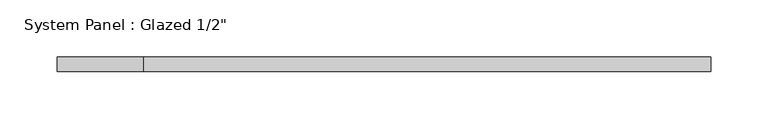
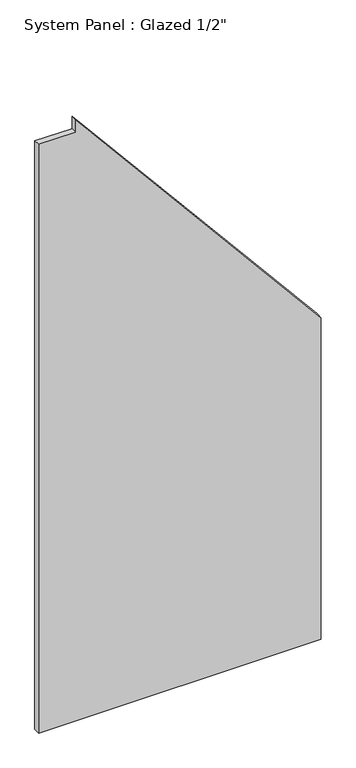
"""IFC4 building model written with IfcOpenShell, lengths in millimetres: plate geometry."""

from ifc_helpers import new_model, si_unit, frame, origin, place, context, project, spatial, polyline, outline, extrude, source, transform, mapped, element, save


def plate_b88d5eda(model_context):
    return source(origin(), model_context, "Body", "SweptSolid", [
        extrude(outline(polyline([(0.0, -285.56239), (0.0, 285.56239), (687.4753752, 285.56239), (1283.2028492, -210.1128301), (1256.8515356, -210.1128301), (1256.8515356, -285.56239), (0.0, -285.56239)])), frame((0.0, -6.35, 0.0), z_axis=(0.0, 1.0, 0.0), x_axis=(0.0, 0.0, 1.0)), (0.0, 0.0, 1.0), 12.7),
    ])


if __name__ == "__main__":
    model = new_model("IFC4")
    model_context = context("Model", 3, world=origin())
    ifc_project = project(units=[si_unit("LENGTHUNIT", "METRE", prefix="MILLI")], contexts=[model_context])
    site = spatial("IfcSite", under=ifc_project)
    building = spatial("IfcBuilding", under=site)
    placement = place(None, origin())
    plate_shape = plate_b88d5eda(model_context)
    element("IfcPlate", 1, ObjectType="System Panel : Glazed 1/2\"", at=placement, inside=building, context=model_context, shape_type="MappedRepresentation", body=[
        mapped(plate_shape, transform((0.0, 0.0, 0.0), x_axis=(1.0, 0.0, 0.0), y_axis=(0.0, 1.0, 0.0), z_axis=(0.0, 0.0, 1.0))),
    ])
    save(model, "model.ifc")
